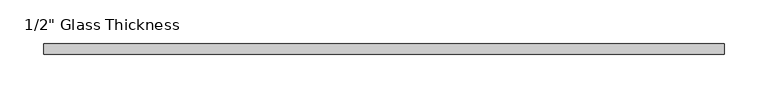
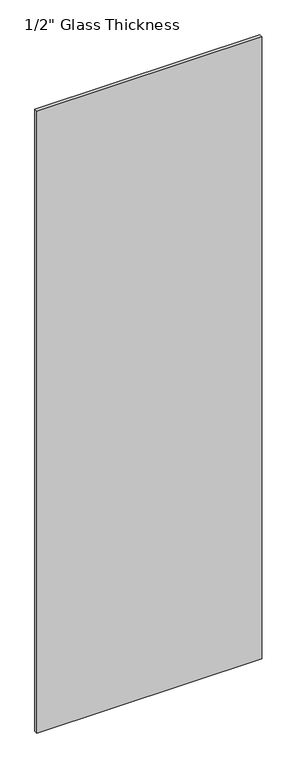
"""IFC4 building model written with IfcOpenShell, lengths in millimetres: plate geometry."""

import ifcopenshell
import ifcopenshell.guid

model = None  # the IFC model being written
_history = None  # IfcOwnerHistory: only IFC2X3 demands one
_inside = {}  # id of a spatial element -> (the spatial element, [elements in it])
_under = {}  # id of a project, library or spatial element -> (it, [spatial elements below it])
_declared = {}  # id of a project -> (the project, [libraries it declares])
_typed = {}  # id of a type object -> (the type object, [elements of that type])
_made_of = {}  # id of a material, layer set ... -> (it, [elements and type objects made of it])


def new_model(schema):
    """Start an empty IFC model of exactly this schema.

    Asked for "IFC4X3", IfcOpenShell would pick the latest addendum, in which some entities
    have other attributes; the version numbers below select the first issue.
    IFC2X3 requires an IfcOwnerHistory on every rooted entity: one is made here for all.
    """
    global model, _history
    if schema == "IFC4X3":
        model = ifcopenshell.file(schema_version=(4, 3, 0, 0))
    else:
        model = ifcopenshell.file(schema=schema)
    _inside.clear()
    _under.clear()
    _declared.clear()
    _typed.clear()
    _made_of.clear()
    _history = None
    if model.schema == "IFC2X3":
        org = make("IfcOrganization", Name="unknown")
        user = make(
            "IfcPersonAndOrganization",
            ThePerson=make("IfcPerson", FamilyName="unknown"),
            TheOrganization=org,
        )
        app = make(
            "IfcApplication",
            ApplicationDeveloper=org,
            Version="unknown",
            ApplicationFullName="unknown",
            ApplicationIdentifier="unknown",
        )
        _history = make(
            "IfcOwnerHistory",
            OwningUser=user,
            OwningApplication=app,
            ChangeAction="ADDED",
            CreationDate=0,
        )
    return model


def make(cls, **values):
    """One entity of the class cls with the attributes given. An attribute that is None is left unset."""
    return model.create_entity(
        cls, **{name: value for name, value in values.items() if value is not None}
    )


def rooted(cls, **values):
    """An entity with a GlobalId (a new one), such as an element, a storey or a relation."""
    return make(cls, GlobalId=ifcopenshell.guid.new(), OwnerHistory=_history, **values)


def si_unit(unit_type, name, prefix=None):
    """IfcSIUnit, for example si_unit("LENGTHUNIT", "METRE", prefix="MILLI")."""
    return make("IfcSIUnit", UnitType=unit_type, Prefix=prefix, Name=name)


def assignment(units):
    """IfcUnitAssignment: the units of a project."""
    return None if units is None else make("IfcUnitAssignment", Units=units)


def point(xyz):
    """IfcCartesianPoint."""
    return None if xyz is None else make("IfcCartesianPoint", Coordinates=xyz)


def direction(xyz):
    """IfcDirection."""
    return None if xyz is None else make("IfcDirection", DirectionRatios=xyz)


def frame(location, z_axis=None, x_axis=None):
    """IfcAxis2Placement3D, a coordinate frame: its origin and axes. An axis left out is left unset."""
    return make(
        "IfcAxis2Placement3D",
        Location=point(location),
        Axis=direction(z_axis),
        RefDirection=direction(x_axis),
    )


def origin():
    """The frame at (0, 0, 0) with its axes left unset."""
    return frame((0.0, 0.0, 0.0))


def origin_with_axes():
    """The frame at (0, 0, 0) with the z axis (0, 0, 1) and the x axis (1, 0, 0) written out."""
    return frame((0.0, 0.0, 0.0), z_axis=(0.0, 0.0, 1.0), x_axis=(1.0, 0.0, 0.0))


def place(relative_to, where):
    """IfcLocalPlacement: puts the frame where relative to a parent placement (None: the world)."""
    return make(
        "IfcLocalPlacement", PlacementRelTo=relative_to, RelativePlacement=where
    )


def context(
    kind, dimensions, precision=None, world=None, true_north=None, identifier=None
):
    """IfcGeometricRepresentationContext, for example the 3D "Model" context."""
    return make(
        "IfcGeometricRepresentationContext",
        ContextIdentifier=identifier,
        ContextType=kind,
        CoordinateSpaceDimension=dimensions,
        Precision=precision,
        WorldCoordinateSystem=world,
        TrueNorth=true_north,
    )


def project(units=None, contexts=None):
    """IfcProject with its units and contexts."""
    return rooted(
        "IfcProject",
        Name="project",
        RepresentationContexts=contexts,
        UnitsInContext=assignment(units),
    )


def spatial(cls, under=None, at=None, **own):
    """A site, building, storey or space (cls), placed at a placement, below another one or the project."""
    s = rooted(cls, ObjectPlacement=at, **own)
    if under is not None:
        _under.setdefault(under.id(), (under, []))[1].append(s)
    return s


def polyline(points):
    """IfcPolyline through the points."""
    return make("IfcPolyline", Points=[point(p) for p in points])


def outline(outer, holes=None, kind="AREA"):
    """IfcArbitraryClosedProfileDef: a profile drawn as a closed curve; with holes, ...WithVoids."""
    if holes is None:
        return make("IfcArbitraryClosedProfileDef", ProfileType=kind, OuterCurve=outer)
    return make(
        "IfcArbitraryProfileDefWithVoids",
        ProfileType=kind,
        OuterCurve=outer,
        InnerCurves=holes,
    )


def extrude(swept, where, along, depth):
    """IfcExtrudedAreaSolid: the profile swept, set in the frame where, extruded along a direction by depth."""
    return make(
        "IfcExtrudedAreaSolid",
        SweptArea=swept,
        Position=where,
        ExtrudedDirection=direction(along),
        Depth=depth,
    )


def shape(context_of_items, identifier, shape_type, items):
    """IfcShapeRepresentation: the items that make up one representation, for example the "Body"."""
    return make(
        "IfcShapeRepresentation",
        ContextOfItems=context_of_items,
        RepresentationIdentifier=identifier,
        RepresentationType=shape_type,
        Items=items,
    )


def source(mapping_origin, context_of_items, identifier, shape_type, items):
    """IfcRepresentationMap: a shape defined once, which mapped items show again and again."""
    return make(
        "IfcRepresentationMap",
        MappingOrigin=mapping_origin,
        MappedRepresentation=shape(context_of_items, identifier, shape_type, items),
    )


def transform(
    local_origin,
    x_axis=None,
    y_axis=None,
    z_axis=None,
    scale=None,
    scale2=None,
    scale3=None,
    uniform=True,
):
    """IfcCartesianTransformationOperator3D, or its non-uniform kind. x_axis, y_axis, z_axis: its Axis1, 2, 3."""
    if uniform:
        return make(
            "IfcCartesianTransformationOperator3D",
            Axis1=direction(x_axis),
            Axis2=direction(y_axis),
            LocalOrigin=point(local_origin),
            Scale=scale,
            Axis3=direction(z_axis),
        )
    return make(
        "IfcCartesianTransformationOperator3DnonUniform",
        Axis1=direction(x_axis),
        Axis2=direction(y_axis),
        LocalOrigin=point(local_origin),
        Scale=scale,
        Axis3=direction(z_axis),
        Scale2=scale2,
        Scale3=scale3,
    )


def mapped(mapping_source, mapping_target):
    """IfcMappedItem: shows the shape of a source again, moved by a transform."""
    return make(
        "IfcMappedItem", MappingSource=mapping_source, MappingTarget=mapping_target
    )


def made_of(thing, what):
    """Note that an element or type object is made of a material, layer set ...; save() writes the relation."""
    if what is not None:
        _made_of.setdefault(what.id(), (what, []))[1].append(thing)
    return thing


def element(
    cls,
    number,
    at=None,
    inside=None,
    cuts=None,
    type_object=None,
    material=None,
    context=None,
    identifier="Body",
    shape_type=None,
    held_by="IfcProductDefinitionShape",
    body=None,
    shapes=None,
    **own,
):
    """One element of the class cls, such as IfcWall. Its Tag is "e" and its number.

    at: its placement. inside: the storey or other place that contains it. cuts: it is an
    opening in that element (IfcRelVoidsElement). A single representation is given by context,
    identifier, shape_type and body (its items); several are given by shapes. held_by: the class
    of the entity that holds the representations. save() writes the other relations.
    """
    e = rooted(cls, Tag="e%d" % number, ObjectPlacement=at, **own)
    if body is not None:
        shapes = [shape(context, identifier, shape_type, body)]
    if shapes is not None:
        e.Representation = make(held_by, Representations=shapes)
    if inside is not None:
        _inside.setdefault(inside.id(), (inside, []))[1].append(e)
    if cuts is not None:
        rooted(
            "IfcRelVoidsElement", RelatingBuildingElement=cuts, RelatedOpeningElement=e
        )
    if type_object is not None:
        _typed.setdefault(type_object.id(), (type_object, []))[1].append(e)
    return made_of(e, material)


def aggregate(whole, parts):
    """IfcRelAggregates: a whole, such as a stair, and the parts it consists of."""
    return rooted("IfcRelAggregates", RelatingObject=whole, RelatedObjects=parts)


def save(model, path):
    """Write the relations noted so far, then the file.

    IfcRelAggregates (storeys below a building ...), IfcRelContainedInSpatialStructure (elements
    in a storey), IfcRelDefinesByType, IfcRelAssociatesMaterial and IfcRelDeclares: one each for
    every whole, place, type object, material and project.
    """
    for whole, parts in _under.values():
        aggregate(whole, parts)
    for where, things in _inside.values():
        rooted(
            "IfcRelContainedInSpatialStructure",
            RelatedElements=things,
            RelatingStructure=where,
        )
    for kind, things in _typed.values():
        rooted("IfcRelDefinesByType", RelatedObjects=things, RelatingType=kind)
    for what, things in _made_of.values():
        rooted("IfcRelAssociatesMaterial", RelatedObjects=things, RelatingMaterial=what)
    for by, libraries in _declared.values():
        rooted("IfcRelDeclares", RelatingContext=by, RelatedDefinitions=libraries)
    model.write(path)


def plate_ed1ae693(model_context):
    return source(origin(), model_context, "Body", "SweptSolid", [
        extrude(outline(polyline([(388.0, 0.0), (-388.0, 0.0), (-388.0, 12.0), (388.0, 12.0), (388.0, 0.0)])), origin_with_axes(), (0.0, 0.0, 1.0), 2267.0),
    ])


if __name__ == "__main__":
    model = new_model("IFC4")
    model_context = context("Model", 3, world=origin())
    ifc_project = project(units=[si_unit("LENGTHUNIT", "METRE", prefix="MILLI")], contexts=[model_context])
    site = spatial("IfcSite", under=ifc_project)
    building = spatial("IfcBuilding", under=site)
    placement = place(None, origin())
    plate_shape = plate_ed1ae693(model_context)
    element("IfcPlate", 1, ObjectType="1/2\" Glass Thickness", at=placement, inside=building, context=model_context, shape_type="MappedRepresentation", body=[
        mapped(plate_shape, transform((0.0, 0.0, 0.0), x_axis=(1.0, 0.0, 0.0), y_axis=(0.0, 1.0, 0.0), z_axis=(0.0, 0.0, 1.0))),
    ])
    save(model, "model.ifc")
